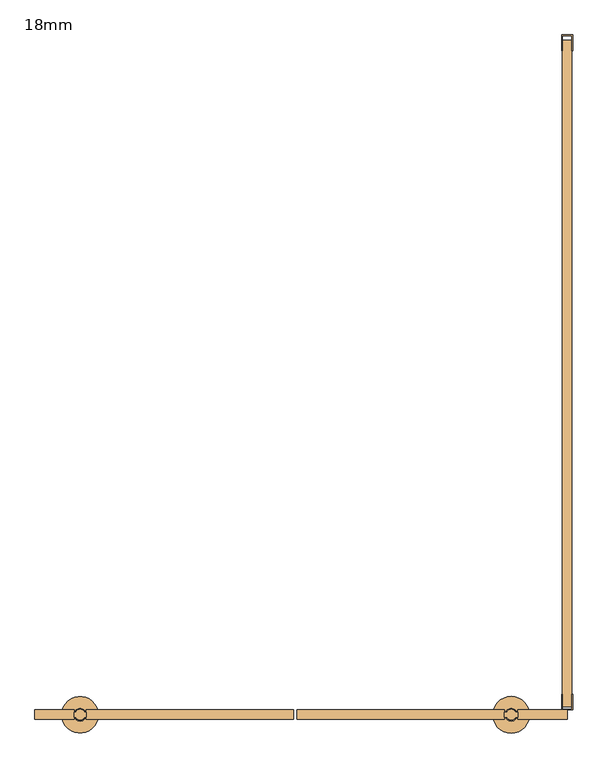
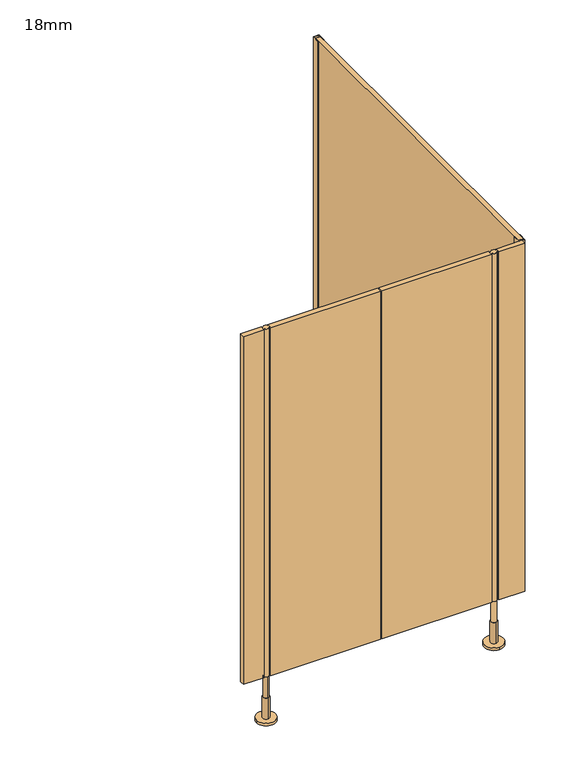
"""IFC4 building model written with IfcOpenShell, lengths in millimetres: door geometry, 18mm."""

from ifc_helpers import new_model, si_unit, point, frame, frame_2d, origin, place, context, project, spatial, polyline, circle_curve, trimmed, segment, composite_curve, outline, extrude, source, transform, mapped, element, save
from ifc_brep_helpers import plane_surface, cylinder_surface, advanced_brep


def door_18mm_7b5c1213(model_context):
    return source(origin(), model_context, "Body", "SolidModel", [
        extrude(outline(composite_curve([segment(trimmed(circle_curve(frame_2d((-422.5, -1299.0)), 10.0), [point((-426.8588989, -1290.0))], [point((-418.1411011, -1290.0))], False, "CARTESIAN"), True, "CONTINUOUS"), segment(trimmed(circle_curve(frame_2d((-422.5, -1299.0)), 10.0), [point((-418.1411011, -1290.0))], [point((-413.8391323, -1294.0010631))], False, "CARTESIAN"), True, "CONTINUOUS"), segment(polyline([(-413.8391323, -1294.0010631), (-411.0, -1294.0010631), (-411.0, -1303.9989369), (-413.8391323, -1303.9989369)]), True, "CONTINUOUS"), segment(trimmed(circle_curve(frame_2d((-422.5, -1299.0)), 10.0), [point((-413.8391323, -1303.9989369))], [point((-431.1608677, -1303.9989369))], False, "CARTESIAN"), True, "CONTINUOUS"), segment(polyline([(-431.1608677, -1303.9989369), (-434.0, -1303.9989369), (-434.0, -1294.0010631), (-431.1608677, -1294.0010631)]), True, "CONTINUOUS"), segment(trimmed(circle_curve(frame_2d((-422.5, -1299.0)), 10.0), [point((-431.1608677, -1294.0010631))], [point((-426.8588989, -1290.0))], False, "CARTESIAN"), True, "CONTINUOUS")], self_intersect=False)), frame((0.0, 0.0, 170.0), z_axis=(0.0, 0.0, 1.0), x_axis=(1.0, 0.0, 0.0)), (0.0, 0.0, 1.0), 1330.0),
        extrude(outline(composite_curve([segment(trimmed(circle_curve(frame_2d((402.0, -1299.0)), 10.0), [point((410.6608677, -1303.9989369))], [point((393.3391323, -1303.9989369))], False, "CARTESIAN"), True, "CONTINUOUS"), segment(polyline([(393.3391323, -1303.9989369), (389.0, -1303.9989369), (389.0, -1294.0010631), (393.3391323, -1294.0010631)]), True, "CONTINUOUS"), segment(trimmed(circle_curve(frame_2d((402.0, -1299.0)), 10.0), [point((393.3391323, -1294.0010631))], [point((410.6608677, -1294.0010631))], False, "CARTESIAN"), True, "CONTINUOUS"), segment(polyline([(410.6608677, -1294.0010631), (415.0, -1294.0010631), (415.0, -1303.9989369), (410.6608677, -1303.9989369)]), True, "CONTINUOUS")], self_intersect=False)), frame((0.0, 0.0, 170.0), z_axis=(0.0, 0.0, 1.0), x_axis=(1.0, 0.0, 0.0)), (0.0, 0.0, 1.0), 1330.0),
        extrude(outline(polyline([(-7.9997797, -1290.0), (389.0, -1290.0), (389.0, -1308.0), (-7.9997797, -1308.0), (-7.9997797, -1290.0)])), frame((0.0, 0.0, 170.0), z_axis=(0.0, 0.0, 1.0), x_axis=(1.0, 0.0, 0.0)), (0.0, 0.0, 1.0), 1330.0),
        extrude(outline(polyline([(-14.0002203, -1308.0), (-411.0, -1308.0), (-411.0, -1290.0), (-14.0002203, -1290.0), (-14.0002203, -1308.0)])), frame((0.0, 0.0, 170.0), z_axis=(0.0, 0.0, 1.0), x_axis=(1.0, 0.0, 0.0)), (0.0, 0.0, 1.0), 1330.0),
        advanced_brep(
        [(412.0, -1299.0, 170.0), (392.0, -1299.0, 170.0), (392.0, -1299.0, 90.0), (412.0, -1299.0, 90.0), (402.0, -1287.0, 90.0), (402.0, -1311.0, 90.0), (402.0, -1287.0, 10.0), (402.0, -1311.0, 10.0), (402.0, -1264.0, 10.0), (402.0, -1334.0, 10.0), (402.0, -1264.0, 0.0), (402.0, -1334.0, 0.0)],
        [
            (0, 1, circle_curve(frame((402.0, -1299.0, 170.0), z_axis=(0.0, 0.0, 1.0), x_axis=(-1.0, 0.0, 0.0)), 10.0)),
            (1, 0, circle_curve(frame((402.0, -1299.0, 170.0), z_axis=(0.0, 0.0, 1.0), x_axis=(-1.0, 0.0, 0.0)), 10.0)),
            (1, 2),
            (2, 3, circle_curve(frame((402.0, -1299.0, 90.0), z_axis=(0.0, 0.0, 1.0), x_axis=(-1.0, 0.0, 0.0)), 10.0)),
            (3, 0),
            (3, 2, circle_curve(frame((402.0, -1299.0, 90.0), z_axis=(0.0, 0.0, 1.0), x_axis=(-1.0, 0.0, 0.0)), 10.0)),
            (4, 5, circle_curve(frame((402.0, -1299.0, 90.0), z_axis=(0.0, 0.0, 1.0), x_axis=(0.0, -1.0, 0.0)), 12.0)),
            (5, 4, circle_curve(frame((402.0, -1299.0, 90.0), z_axis=(0.0, 0.0, 1.0), x_axis=(0.0, -1.0, 0.0)), 12.0)),
            (4, 6),
            (6, 7, circle_curve(frame((402.0, -1299.0, 10.0), z_axis=(0.0, 0.0, 1.0), x_axis=(0.0, -1.0, 0.0)), 12.0)),
            (7, 5),
            (7, 6, circle_curve(frame((402.0, -1299.0, 10.0), z_axis=(0.0, 0.0, 1.0), x_axis=(0.0, -1.0, 0.0)), 12.0)),
            (8, 9, circle_curve(frame((402.0, -1299.0, 10.0), z_axis=(0.0, 0.0, 1.0), x_axis=(0.0, -1.0, 0.0)), 35.0)),
            (9, 8, circle_curve(frame((402.0, -1299.0, 10.0), z_axis=(0.0, 0.0, 1.0), x_axis=(0.0, -1.0, 0.0)), 35.0)),
            (10, 11, circle_curve(frame((402.0, -1299.0, 0.0), z_axis=(0.0, 0.0, -1.0), x_axis=(0.0, -1.0, 0.0)), 35.0)),
            (11, 10, circle_curve(frame((402.0, -1299.0, 0.0), z_axis=(0.0, 0.0, -1.0), x_axis=(0.0, -1.0, 0.0)), 35.0)),
            (8, 10),
            (11, 9),
        ],
        [
            plane_surface(frame((402.0, -1290.0, 170.0), z_axis=(0.0, 0.0, 1.0), x_axis=(0.0, -1.0, 0.0))),
            cylinder_surface(frame((402.0, -1299.0, 90.0), z_axis=(0.0, 0.0, -1.0), x_axis=(-1.0, 0.0, 0.0)), 10.0),
            plane_surface(frame((402.0, -1290.0, 90.0), z_axis=(0.0, 0.0, 1.0), x_axis=(0.0, -1.0, 0.0))),
            cylinder_surface(frame((402.0, -1299.0, 90.0), z_axis=(0.0, 0.0, 1.0), x_axis=(0.0, -1.0, 0.0)), 12.0),
            plane_surface(frame((402.0, -1290.0, 10.0), z_axis=(0.0, 0.0, 1.0), x_axis=(0.0, -1.0, 0.0))),
            plane_surface(frame((402.0, -1290.0, 0.0), z_axis=(0.0, 0.0, -1.0), x_axis=(0.0, -1.0, 0.0))),
            cylinder_surface(frame((402.0, -1299.0, 10.0), z_axis=(0.0, 0.0, 1.0), x_axis=(0.0, -1.0, 0.0)), 35.0),
        ],
        [
            (0, [[1, 2]]),
            (1, [[-2, 3, 4, 5]]),
            (1, [[-1, -5, 6, -3]]),
            (2, [[7, 8], [-4, -6]]),
            (3, [[-7, 9, 10, 11]]),
            (3, [[-8, -11, 12, -9]]),
            (4, [[13, 14], [-10, -12]]),
            (5, [[15, 16]]),
            (6, [[-13, 17, -16, 18]]),
            (6, [[-14, -18, -15, -17]]),
        ],
    ),
        advanced_brep(
        [(-422.5, -1309.0, 170.0), (-422.5, -1289.0, 170.0), (-422.5, -1289.0, 90.0), (-422.5, -1309.0, 90.0), (-422.5, -1287.0, 90.0), (-422.5, -1311.0, 90.0), (-422.5, -1287.0, 10.0), (-422.5, -1311.0, 10.0), (-387.5, -1299.0, 0.0), (-457.5, -1299.0, 0.0), (-387.5, -1299.0, 10.0), (-457.5, -1299.0, 10.0)],
        [
            (0, 1, circle_curve(frame((-422.5, -1299.0, 170.0), z_axis=(0.0, 0.0, -1.0), x_axis=(0.0, -1.0, 0.0)), 10.0)),
            (1, 2),
            (2, 3, circle_curve(frame((-422.5, -1299.0, 90.0), z_axis=(0.0, 0.0, 1.0), x_axis=(0.0, -1.0, 0.0)), 10.0)),
            (3, 0),
            (1, 0, circle_curve(frame((-422.5, -1299.0, 170.0), z_axis=(0.0, 0.0, -1.0), x_axis=(0.0, -1.0, 0.0)), 10.0)),
            (3, 2, circle_curve(frame((-422.5, -1299.0, 90.0), z_axis=(0.0, 0.0, 1.0), x_axis=(0.0, -1.0, 0.0)), 10.0)),
            (4, 5, circle_curve(frame((-422.5, -1299.0, 90.0), z_axis=(0.0, 0.0, 1.0), x_axis=(0.0, -1.0, 0.0)), 12.0)),
            (5, 4, circle_curve(frame((-422.5, -1299.0, 90.0), z_axis=(0.0, 0.0, 1.0), x_axis=(0.0, -1.0, 0.0)), 12.0)),
            (4, 6),
            (6, 7, circle_curve(frame((-422.5, -1299.0, 10.0), z_axis=(0.0, 0.0, 1.0), x_axis=(0.0, -1.0, 0.0)), 12.0)),
            (7, 5),
            (7, 6, circle_curve(frame((-422.5, -1299.0, 10.0), z_axis=(0.0, 0.0, 1.0), x_axis=(0.0, -1.0, 0.0)), 12.0)),
            (8, 9, circle_curve(frame((-422.5, -1299.0, 0.0), z_axis=(0.0, 0.0, -1.0), x_axis=(-1.0, 0.0, 0.0)), 35.0)),
            (9, 8, circle_curve(frame((-422.5, -1299.0, 0.0), z_axis=(0.0, 0.0, -1.0), x_axis=(-1.0, 0.0, 0.0)), 35.0)),
            (10, 11, circle_curve(frame((-422.5, -1299.0, 10.0), z_axis=(0.0, 0.0, 1.0), x_axis=(-1.0, 0.0, 0.0)), 35.0)),
            (11, 10, circle_curve(frame((-422.5, -1299.0, 10.0), z_axis=(0.0, 0.0, 1.0), x_axis=(-1.0, 0.0, 0.0)), 35.0)),
            (8, 10),
            (11, 9),
        ],
        [
            cylinder_surface(frame((-422.5, -1299.0, 170.0), z_axis=(0.0, 0.0, 1.0), x_axis=(0.0, -1.0, 0.0)), 10.0),
            plane_surface(frame((-422.5, -1290.0, 90.0), z_axis=(0.0, 0.0, 1.0), x_axis=(0.0, -1.0, 0.0))),
            cylinder_surface(frame((-422.5, -1299.0, 90.0), z_axis=(0.0, 0.0, 1.0), x_axis=(0.0, -1.0, 0.0)), 12.0),
            plane_surface(frame((-422.5, -1290.0, 0.0), z_axis=(0.0, 0.0, -1.0), x_axis=(0.0, -1.0, 0.0))),
            plane_surface(frame((-422.5, -1290.0, 10.0), z_axis=(0.0, 0.0, 1.0), x_axis=(0.0, -1.0, 0.0))),
            cylinder_surface(frame((-422.5, -1299.0, 0.0), z_axis=(0.0, 0.0, -1.0), x_axis=(-1.0, 0.0, 0.0)), 35.0),
            plane_surface(frame((-422.5, -1290.0, 170.0), z_axis=(0.0, 0.0, 1.0), x_axis=(0.0, -1.0, 0.0))),
        ],
        [
            (0, [[1, 2, 3, 4]]),
            (0, [[5, -4, 6, -2]]),
            (1, [[7, 8], [-3, -6]]),
            (2, [[-7, 9, 10, 11]]),
            (2, [[-8, -11, 12, -9]]),
            (3, [[13, 14]]),
            (4, [[15, 16], [-10, -12]]),
            (5, [[-13, 17, -16, 18]]),
            (5, [[-14, -18, -15, -17]]),
            (6, [[-1, -5]]),
        ],
    ),
        extrude(outline(polyline([(498.5, 0.0), (519.5, 0.0), (519.5, -30.0), (518.0, -30.0), (518.0, -1.5), (500.0, -1.5), (500.0, -30.0), (498.5, -30.0), (498.5, 0.0)])), frame((0.0, 0.0, 170.0), z_axis=(0.0, 0.0, 1.0), x_axis=(1.0, 0.0, 0.0)), (0.0, 0.0, 1.0), 1330.0),
        extrude(outline(polyline([(415.0, -1290.0), (509.0, -1290.0), (509.0, -1308.0), (415.0, -1308.0), (415.0, -1290.0)])), frame((0.0, 0.0, 170.0), z_axis=(0.0, 0.0, 1.0), x_axis=(1.0, 0.0, 0.0)), (0.0, 0.0, 1.0), 1330.0),
        extrude(outline(polyline([(-434.0, -1290.0), (-434.0, -1308.0), (-509.0, -1308.0), (-509.0, -1290.0), (-434.0, -1290.0)])), frame((0.0, 0.0, 170.0), z_axis=(0.0, 0.0, 1.0), x_axis=(1.0, 0.0, 0.0)), (0.0, 0.0, 1.0), 1330.0),
        extrude(outline(polyline([(519.5, -1290.0), (498.5, -1290.0), (498.5, -1260.0), (500.0, -1260.0), (500.0, -1288.5), (518.0, -1288.5), (518.0, -1260.0), (519.5, -1260.0), (519.5, -1290.0)])), frame((0.0, 0.0, 170.0), z_axis=(0.0, 0.0, 1.0), x_axis=(1.0, 0.0, 0.0)), (0.0, 0.0, 1.0), 1330.0),
        extrude(outline(polyline([(518.0, -10.0), (518.0, -1284.0), (500.0, -1284.0), (500.0, -10.0), (518.0, -10.0)])), frame((0.0, 0.0, 170.0), z_axis=(0.0, 0.0, 1.0), x_axis=(1.0, 0.0, 0.0)), (0.0, 0.0, 1.0), 1330.0),
    ])


if __name__ == "__main__":
    model = new_model("IFC4")
    model_context = context("Model", 3, world=origin())
    ifc_project = project(units=[si_unit("LENGTHUNIT", "METRE", prefix="MILLI")], contexts=[model_context])
    site = spatial("IfcSite", under=ifc_project)
    building = spatial("IfcBuilding", under=site)
    placement = place(None, origin())
    door_18mm_shape = door_18mm_7b5c1213(model_context)
    element("IfcDoor", 1, ObjectType="18mm", at=placement, inside=building, context=model_context, shape_type="MappedRepresentation", body=[
        mapped(door_18mm_shape, transform((0.0, 0.0, 0.0), x_axis=(1.0, 0.0, 0.0), y_axis=(0.0, 1.0, 0.0), z_axis=(0.0, 0.0, 1.0))),
    ])
    save(model, "model.ifc")
